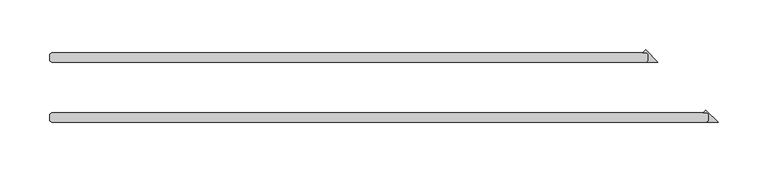
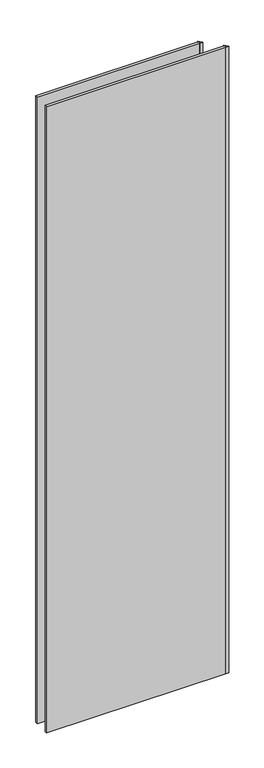
"""IFC4 building model written with IfcOpenShell, lengths in millimetres: plate geometry."""

from ifc_helpers import new_model, si_unit, origin, origin_with_axes, place, context, project, spatial, polyline, outline, extrude, source, transform, mapped, element, save


def plate_222b3ab8(model_context):
    return source(origin(), model_context, "Body", "SweptSolid", [
        extrude(outline(polyline([(342.503125, -33.3375), (342.503125, -26.9875), (340.915625, -25.4), (337.083061, -25.4), (339.793093, -22.689968), (352.028125, -34.925), (340.915625, -34.925), (342.503125, -33.3375)])), origin_with_axes(), (0.0, 0.0, 1.0), 2428.7789267),
        extrude(outline(polyline([(282.178125, 26.9875), (282.178125, 33.3375), (280.590625, 34.925), (276.758061, 34.925), (279.468093, 37.635032), (291.703125, 25.4), (280.590625, 25.4), (282.178125, 26.9875)])), origin_with_axes(), (0.0, 0.0, 1.0), 2428.7789267),
        extrude(outline(polyline([(280.590625, 25.4), (-315.515625, 25.4), (-317.103125, 26.9875), (-317.103125, 33.3375), (-315.515625, 34.925), (280.590625, 34.925), (282.178125, 33.3375), (282.178125, 26.9875), (280.590625, 25.4)])), origin_with_axes(), (0.0, 0.0, 1.0), 2428.7789267),
        extrude(outline(polyline([(340.915625, -34.925), (-315.515625, -34.925), (-317.103125, -33.3375), (-317.103125, -26.9875), (-315.515625, -25.4), (340.915625, -25.4), (342.503125, -26.9875), (342.503125, -33.3375), (340.915625, -34.925)])), origin_with_axes(), (0.0, 0.0, 1.0), 2428.7789267),
    ])


if __name__ == "__main__":
    model = new_model("IFC4")
    model_context = context("Model", 3, world=origin())
    ifc_project = project(units=[si_unit("LENGTHUNIT", "METRE", prefix="MILLI")], contexts=[model_context])
    site = spatial("IfcSite", under=ifc_project)
    building = spatial("IfcBuilding", under=site)
    placement = place(None, origin())
    plate_shape = plate_222b3ab8(model_context)
    element("IfcPlate", 1, at=placement, inside=building, context=model_context, shape_type="MappedRepresentation", body=[
        mapped(plate_shape, transform((0.0, 0.0, 0.0), x_axis=(1.0, 0.0, 0.0), y_axis=(0.0, 1.0, 0.0), z_axis=(0.0, 0.0, 1.0))),
    ])
    save(model, "model.ifc")
